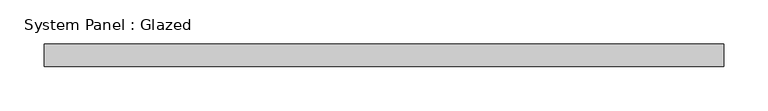
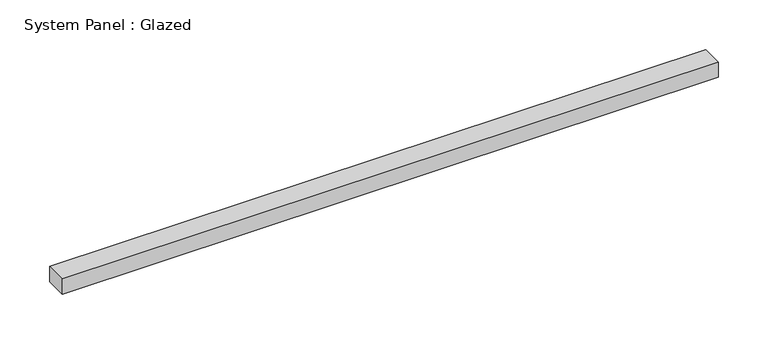
"""IFC4 building model written with IfcOpenShell, lengths in millimetres: plate geometry, System Panel : Glazed."""

from ifc_helpers import new_model, si_unit, origin, origin_with_axes, place, context, project, spatial, polyline, outline, extrude, source, transform, mapped, element, save


def system_panel_glazed_cf57085d(model_context):
    return source(origin(), model_context, "Body", "SweptSolid", [
        extrude(outline(polyline([(382.6664778, 19.05), (-382.6664778, 19.05), (-382.6664778, 44.45), (382.6664778, 44.45), (382.6664778, 19.05)])), origin_with_axes(), (0.0, 0.0, 1.0), 18.9305957),
    ])


if __name__ == "__main__":
    model = new_model("IFC4")
    model_context = context("Model", 3, world=origin())
    ifc_project = project(units=[si_unit("LENGTHUNIT", "METRE", prefix="MILLI")], contexts=[model_context])
    site = spatial("IfcSite", under=ifc_project)
    building = spatial("IfcBuilding", under=site)
    placement = place(None, origin())
    system_panel_glazed_shape = system_panel_glazed_cf57085d(model_context)
    element("IfcPlate", 1, ObjectType="System Panel : Glazed", at=placement, inside=building, context=model_context, shape_type="MappedRepresentation", body=[
        mapped(system_panel_glazed_shape, transform((0.0, 0.0, 0.0), x_axis=(1.0, 0.0, 0.0), y_axis=(0.0, 1.0, 0.0), z_axis=(0.0, 0.0, 1.0))),
    ])
    save(model, "model.ifc")
